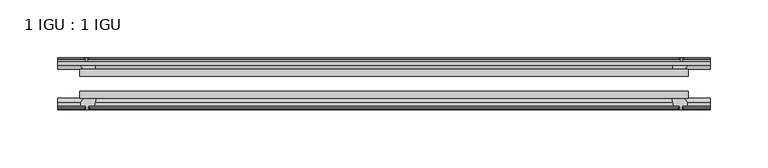
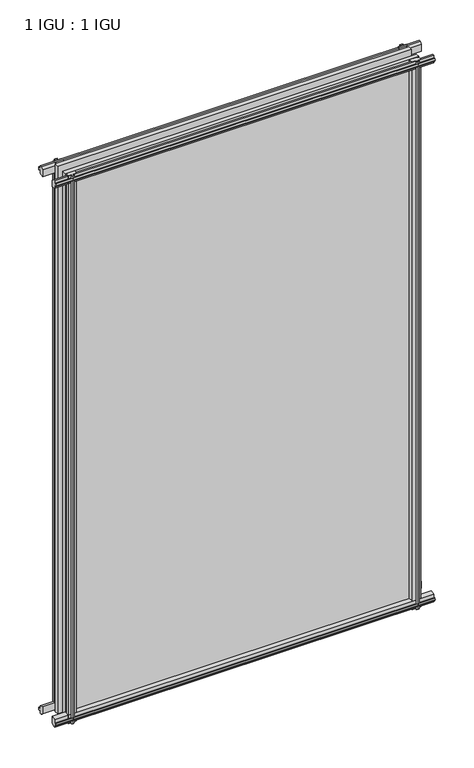
"""IFC4 building model written with IfcOpenShell, lengths in millimetres: plate geometry, 1 IGU : 1 IGU."""

from ifc_helpers import new_model, si_unit, frame, origin, place, context, project, spatial, polyline, outline, extrude, source, transform, mapped, element, save


def plate_1_igu_1_igu_7d6edc8b(model_context):
    return source(origin(), model_context, "Body", "SweptSolid", [
        extrude(outline(polyline([(-263.5295593, -38.6468937), (263.5295593, -38.6468937), (263.5295593, -44.9460938), (-263.5295593, -44.9460938), (-263.5295593, -38.6468937)])), frame((0.0, 0.0, -12.7), z_axis=(0.0, 0.0, 1.0), x_axis=(1.0, 0.0, 0.0)), (0.0, 0.0, 1.0), 863.5872996),
        extrude(outline(polyline([(-263.5295593, -19.5460937), (263.5295593, -19.5460937), (263.5295593, -25.8960938), (-263.5295593, -25.8960938), (-263.5295593, -19.5460937)])), frame((0.0, 0.0, -12.7), z_axis=(0.0, 0.0, 1.0), x_axis=(1.0, 0.0, 0.0)), (0.0, 0.0, 1.0), 863.5872996),
        extrude(outline(polyline([(-44.9460937, 1.7177181), (-44.9460937, -9.1036578), (-48.3496937, -11.938), (-51.2960937, -11.938), (-51.2960937, -7.493), (-53.6762907, -7.112), (-53.2163575, -8.5275291), (-54.0175717, -8.5275291), (-54.7250937, -6.35), (-54.0175717, -4.1724709), (-53.2163575, -4.1724709), (-53.6762907, -5.588), (-51.2960937, -5.207), (-51.2960937, 0.0), (-44.9460937, 1.7177181)])), frame((-282.5795593, 0.0, 0.0), z_axis=(1.0, 0.0, 0.0), x_axis=(0.0, 1.0, 0.0)), (0.0, 0.0, 1.0), 565.1591186),
        extrude(outline(polyline([(-13.1960937, -12.4587), (-16.1424937, -12.4587), (-19.5460937, -9.6243578), (-19.5460937, 1.1970181), (-13.1960937, -0.5207), (-13.1960937, -5.7277), (-10.8158968, -6.1087), (-11.27583, -4.6931709), (-10.4746158, -4.6931709), (-9.7670937, -6.8707), (-10.4746158, -9.0482291), (-11.27583, -9.0482291), (-10.8158968, -7.6327), (-13.1960937, -8.0137), (-13.1960937, -12.4587)])), frame((-282.5795593, 0.0, 0.0), z_axis=(1.0, 0.0, 0.0), x_axis=(0.0, 1.0, 0.0)), (0.0, 0.0, 1.0), 565.1591186),
        extrude(outline(polyline([(-51.2960937, 850.1252996), (-48.3496937, 850.1252996), (-44.9460937, 847.2909574), (-44.9460937, 836.4695815), (-51.2960937, 838.1872996), (-51.2960937, 843.3942996), (-53.6762907, 843.7752996), (-53.2163575, 842.3597706), (-54.0175717, 842.3597706), (-54.7250937, 844.5372996), (-54.0175717, 846.7148287), (-53.2163575, 846.7148287), (-53.6762907, 845.2992996), (-51.2960937, 845.6802996), (-51.2960937, 850.1252996)])), frame((-282.5795593, 0.0, 0.0), z_axis=(1.0, 0.0, 0.0), x_axis=(0.0, 1.0, 0.0)), (0.0, 0.0, 1.0), 565.1591186),
        extrude(outline(polyline([(-19.5460937, 836.9902815), (-19.5460937, 847.8116574), (-16.1424937, 850.6459996), (-13.1960937, 850.6459996), (-13.1960937, 846.2009996), (-10.8158968, 845.8199996), (-11.27583, 847.2355287), (-10.4746158, 847.2355287), (-9.7670937, 845.0579996), (-10.4746158, 842.8804706), (-11.27583, 842.8804706), (-10.8158968, 844.2959996), (-13.1960937, 843.9149996), (-13.1960937, 838.7079996), (-19.5460937, 836.9902815)])), frame((-282.5795593, 0.0, 0.0), z_axis=(1.0, 0.0, 0.0), x_axis=(0.0, 1.0, 0.0)), (0.0, 0.0, 1.0), 565.1591186),
        extrude(outline(polyline([(249.6325412, -19.5460938), (251.3502593, -13.1960938), (256.5572593, -13.1960938), (256.9382593, -10.8158968), (255.5227302, -11.27583), (255.5227302, -10.4746158), (257.7002593, -9.7670938), (259.8777883, -10.4746158), (259.8777883, -11.27583), (258.4622593, -10.8158968), (258.8432593, -13.1960938), (263.2882593, -13.1960938), (263.2882593, -16.1424938), (260.4539171, -19.5460938), (249.6325412, -19.5460938)])), frame((0.0, 0.0, -12.7), z_axis=(0.0, 0.0, 1.0), x_axis=(1.0, 0.0, 0.0)), (0.0, 0.0, 1.0), 863.5872998),
        extrude(outline(polyline([(249.1118412, -44.9460938), (259.9332171, -44.9460938), (262.7675593, -48.3496938), (262.7675593, -51.2960938), (258.3225593, -51.2960938), (257.9415593, -53.6762907), (259.3570883, -53.2163575), (259.3570883, -54.0175717), (257.1795593, -54.7250938), (255.0020302, -54.0175717), (255.0020302, -53.2163575), (256.4175593, -53.6762907), (256.0365593, -51.2960938), (250.8295593, -51.2960938), (249.1118412, -44.9460938)])), frame((0.0, 0.0, -12.7), z_axis=(0.0, 0.0, 1.0), x_axis=(1.0, 0.0, 0.0)), (0.0, 0.0, 1.0), 863.5872998),
        extrude(outline(polyline([(-257.7002593, -9.7670937), (-255.5227302, -10.4746158), (-255.5227302, -11.27583), (-256.9382593, -10.8158968), (-256.5572593, -13.1960937), (-251.3502593, -13.1960937), (-249.6325412, -19.5460937), (-260.4539171, -19.5460937), (-263.2882593, -16.1424937), (-263.2882593, -13.1960937), (-258.8432593, -13.1960937), (-258.4622593, -10.8158968), (-259.8777883, -11.27583), (-259.8777883, -10.4746158), (-257.7002593, -9.7670937)])), frame((0.0, 0.0, -12.7), z_axis=(0.0, 0.0, 1.0), x_axis=(1.0, 0.0, 0.0)), (0.0, 0.0, 1.0), 863.5872998),
        extrude(outline(polyline([(-262.7675593, -48.3496937), (-259.9332171, -44.9460937), (-249.1118412, -44.9460937), (-250.8295593, -51.2960937), (-256.0365593, -51.2960937), (-256.4175593, -53.6762907), (-255.0020302, -53.2163575), (-255.0020302, -54.0175717), (-257.1795593, -54.7250937), (-259.3570883, -54.0175717), (-259.3570883, -53.2163575), (-257.9415593, -53.6762907), (-258.3225593, -51.2960937), (-262.7675593, -51.2960937), (-262.7675593, -48.3496937)])), frame((0.0, 0.0, -12.7), z_axis=(0.0, 0.0, 1.0), x_axis=(1.0, 0.0, 0.0)), (0.0, 0.0, 1.0), 863.5872998),
    ])


if __name__ == "__main__":
    model = new_model("IFC4")
    model_context = context("Model", 3, world=origin())
    ifc_project = project(units=[si_unit("LENGTHUNIT", "METRE", prefix="MILLI")], contexts=[model_context])
    site = spatial("IfcSite", under=ifc_project)
    building = spatial("IfcBuilding", under=site)
    placement = place(None, origin())
    plate_1_igu_1_igu_shape = plate_1_igu_1_igu_7d6edc8b(model_context)
    element("IfcPlate", 1, ObjectType="1 IGU : 1 IGU", at=placement, inside=building, context=model_context, shape_type="MappedRepresentation", body=[
        mapped(plate_1_igu_1_igu_shape, transform((0.0, 0.0, 0.0), x_axis=(1.0, 0.0, 0.0), y_axis=(0.0, 1.0, 0.0), z_axis=(0.0, 0.0, 1.0))),
    ])
    save(model, "model.ifc")
